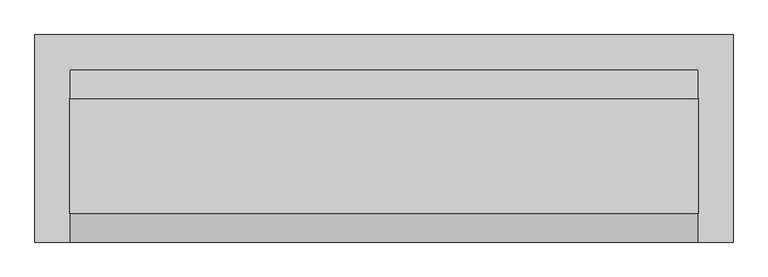
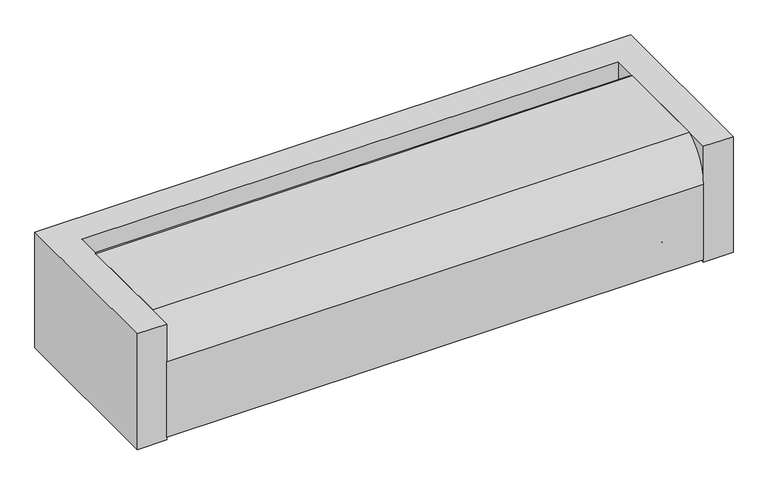
"""IFC4 building model written with IfcOpenShell, lengths in millimetres: proxy geometry."""

from ifc_helpers import new_model, si_unit, point, frame, frame_2d, origin, origin_with_axes, place, context, project, spatial, polyline, circle_curve, trimmed, segment, composite_curve, outline, extrude, source, transform, mapped, element, save
from ifc_brep_helpers import plane_surface, cylinder_surface, revolved_surface, advanced_brep


def mechanical_equipment_704d35b6(model_context):
    return source(origin(), model_context, "Body", "SolidModel", [
        advanced_brep(
        [(525.4625, 144.4625, 161.3958333), (525.4625, 96.3083333, 239.7125), (525.4625, -96.3083333, 239.7125), (525.4625, -144.4625, 161.3958333), (525.4625, -144.4625, 4.7625), (525.4625, 144.4625, 4.7625), (-525.4625, 144.4625, 161.3958333), (-525.4625, 144.4625, 4.7625), (-525.4625, -144.4625, 4.7625), (-525.4625, -144.4625, 161.3958333), (-525.4625, -96.3083333, 239.7125), (-525.4625, 96.3083333, 239.7125), (-504.825, -100.0125, 4.7625), (-425.45, -100.0125, 4.7625), (423.8625, -100.0125, 4.7625), (503.2375, -100.0125, 4.7625), (-425.45, -100.0125, 7.9375), (-504.825, -100.0125, 7.9375), (503.2375, -100.0125, 7.9375), (423.8625, -100.0125, 7.9375)],
        [
            (0, 1, circle_curve(frame((525.4625, 56.6993361, 161.3958333), z_axis=(1.0, 0.0, 0.0), x_axis=(0.0, -1.0, 0.0)), 87.7631639)),
            (1, 2),
            (2, 3, circle_curve(frame((525.4625, -56.6993361, 161.3958333), z_axis=(1.0, 0.0, 0.0), x_axis=(0.0, -1.0, 0.0)), 87.7631639)),
            (3, 4),
            (4, 5),
            (5, 0),
            (6, 7),
            (7, 8),
            (8, 9),
            (9, 10, circle_curve(frame((-525.4625, -56.6993361, 161.3958333), z_axis=(-1.0, 0.0, 0.0), x_axis=(0.0, -1.0, 0.0)), 87.7631639)),
            (10, 11),
            (11, 6, circle_curve(frame((-525.4625, 56.6993361, 161.3958333), z_axis=(-1.0, 0.0, 0.0), x_axis=(0.0, -1.0, 0.0)), 87.7631639)),
            (0, 6),
            (11, 1),
            (10, 2),
            (9, 3),
            (8, 4),
            (7, 5),
            (12, 13, circle_curve(frame((-465.1375, -100.0125, 4.7625), z_axis=(0.0, 0.0, 1.0), x_axis=(-1.0, 0.0, 0.0)), 39.6875)),
            (13, 12, circle_curve(frame((-465.1375, -100.0125, 4.7625), z_axis=(0.0, 0.0, 1.0), x_axis=(-1.0, 0.0, 0.0)), 39.6875)),
            (14, 15, circle_curve(frame((463.55, -100.0125, 4.7625), z_axis=(0.0, 0.0, 1.0), x_axis=(-1.0, 0.0, 0.0)), 39.6875)),
            (15, 14, circle_curve(frame((463.55, -100.0125, 4.7625), z_axis=(0.0, 0.0, 1.0), x_axis=(-1.0, 0.0, 0.0)), 39.6875)),
            (16, 17, circle_curve(frame((-465.1375, -100.0125, 7.9375), z_axis=(0.0, 0.0, -1.0), x_axis=(-1.0, 0.0, 0.0)), 39.6875)),
            (17, 16, circle_curve(frame((-465.1375, -100.0125, 7.9375), z_axis=(0.0, 0.0, -1.0), x_axis=(-1.0, 0.0, 0.0)), 39.6875)),
            (18, 19, circle_curve(frame((463.55, -100.0125, 7.9375), z_axis=(0.0, 0.0, -1.0), x_axis=(-1.0, 0.0, 0.0)), 39.6875)),
            (19, 18, circle_curve(frame((463.55, -100.0125, 7.9375), z_axis=(0.0, 0.0, -1.0), x_axis=(-1.0, 0.0, 0.0)), 39.6875)),
            (16, 13),
            (12, 17),
            (18, 15),
            (14, 19),
        ],
        [
            plane_surface(frame((525.4625, 0.0, 50.8), z_axis=(1.0, 0.0, 0.0), x_axis=(0.0, 0.0, 1.0))),
            plane_surface(frame((-525.4625, 0.0, 50.8), z_axis=(-1.0, 0.0, 0.0), x_axis=(0.0, 0.0, 1.0))),
            cylinder_surface(frame((525.4625, 56.6993361, 161.3958333), z_axis=(1.0, 0.0, 0.0), x_axis=(0.0, -1.0, 0.0)), 87.7631639),
            plane_surface(frame((525.4625, 96.3083333, 239.7125), z_axis=(0.0, 0.0, 1.0), x_axis=(-1.0, 0.0, 0.0))),
            cylinder_surface(frame((525.4625, -56.6993361, 161.3958333), z_axis=(1.0, 0.0, 0.0), x_axis=(0.0, -1.0, 0.0)), 87.7631639),
            plane_surface(frame((525.4625, -144.4625, 161.3958333), z_axis=(0.0, -1.0, 0.0), x_axis=(-1.0, 0.0, 0.0))),
            plane_surface(frame((525.4625, -144.4625, 4.7625), z_axis=(0.0, 0.0, -1.0), x_axis=(-1.0, 0.0, 0.0))),
            plane_surface(frame((525.4625, 144.4625, 4.7625), z_axis=(0.0, 1.0, 0.0), x_axis=(-1.0, 0.0, 0.0))),
            plane_surface(frame((0.0, 0.0, 7.9375), z_axis=(0.0, 0.0, -1.0), x_axis=(0.0, -1.0, 0.0))),
            revolved_surface(polyline([(-504.825, -100.0125, 4.7625), (-504.825, -100.0125, 7.9375)]), (-465.1375, -100.0125, 4.7625), (0.0, 0.0, -1.0)),
            revolved_surface(polyline([(423.8625, -100.0125, 4.7625), (423.8625, -100.0125, 7.9375)]), (463.55, -100.0125, 4.7625), (0.0, 0.0, -1.0)),
        ],
        [
            (0, [[1, 2, 3, 4, 5, 6]]),
            (1, [[7, 8, 9, 10, 11, 12]]),
            (2, [[-1, 13, -12, 14]]),
            (3, [[-2, -14, -11, 15]]),
            (4, [[-3, -15, -10, 16]]),
            (5, [[-4, -16, -9, 17]]),
            (6, [[-5, -17, -8, 18], [19, 20], [21, 22]]),
            (7, [[-6, -18, -7, -13]]),
            (8, [[23, 24]]),
            (8, [[25, 26]]),
            (9, [[-23, 27, -19, 28]]),
            (9, [[-24, -28, -20, -27]]),
            (10, [[-25, 29, -21, 30]]),
            (10, [[-26, -30, -22, -29]]),
        ],
    ),
        extrude(outline(composite_curve([segment(trimmed(circle_curve(frame_2d((-108.346875, 50.8)), 8.73125), [point((-99.615625, 50.8))], [point((-117.078125, 50.8))], False, "CARTESIAN"), True, "CONTINUOUS"), segment(trimmed(circle_curve(frame_2d((-108.346875, 50.8)), 8.73125), [point((-117.078125, 50.8))], [point((-99.615625, 50.8))], False, "CARTESIAN"), True, "CONTINUOUS")], self_intersect=False)), frame((-11.1125, 0.0, 0.0), z_axis=(1.0, 0.0, 0.0), x_axis=(0.0, 1.0, 0.0)), (0.0, 0.0, 1.0), 474.6625),
        extrude(outline(composite_curve([segment(trimmed(circle_curve(frame_2d((-72.23125, 50.8)), 6.35), [point((-65.88125, 50.8))], [point((-78.58125, 50.8))], False, "CARTESIAN"), True, "CONTINUOUS"), segment(trimmed(circle_curve(frame_2d((-72.23125, 50.8)), 6.35), [point((-78.58125, 50.8))], [point((-65.88125, 50.8))], False, "CARTESIAN"), True, "CONTINUOUS")], self_intersect=False)), frame((49.2125, 0.0, 0.0), z_axis=(1.0, 0.0, 0.0), x_axis=(0.0, 1.0, 0.0)), (0.0, 0.0, 1.0), 414.3375),
        extrude(outline(composite_curve([segment(trimmed(circle_curve(frame_2d((-36.115625, 50.8)), 3.175), [point((-32.940625, 50.8))], [point((-39.290625, 50.8))], False, "CARTESIAN"), True, "CONTINUOUS"), segment(trimmed(circle_curve(frame_2d((-36.115625, 50.8)), 3.175), [point((-39.290625, 50.8))], [point((-32.940625, 50.8))], False, "CARTESIAN"), True, "CONTINUOUS")], self_intersect=False)), frame((3.175, 0.0, 0.0), z_axis=(1.0, 0.0, 0.0), x_axis=(0.0, 1.0, 0.0)), (0.0, 0.0, 1.0), 460.375),
        extrude(outline(polyline([(474.6625, 130.175), (474.6625, -39.6875), (369.8875, -39.6875), (369.8875, -129.8575), (184.94375, -129.8575), (184.94375, 0.0), (-209.55, 0.0), (-209.55, -129.8575), (-419.1, -129.8575), (-419.1, 130.175), (474.6625, 130.175)])), origin_with_axes(), (0.0, 0.0, 1.0), 4.7625),
        extrude(outline(polyline([(-525.4625, -144.4625), (-583.6285, -144.4625), (-583.6285, 202.6285), (583.6285, 202.6285), (583.6285, -144.4625), (525.4625, -144.4625), (525.4625, 144.4625), (-525.4625, 144.4625), (-525.4625, -144.4625)])), origin_with_axes(), (0.0, 0.0, 1.0), 239.7125),
    ])


if __name__ == "__main__":
    model = new_model("IFC4")
    model_context = context("Model", 3, world=origin())
    ifc_project = project(units=[si_unit("LENGTHUNIT", "METRE", prefix="MILLI")], contexts=[model_context])
    site = spatial("IfcSite", under=ifc_project)
    building = spatial("IfcBuilding", under=site)
    placement = place(None, origin())
    mechanical_equipment_shape = mechanical_equipment_704d35b6(model_context)
    element("IfcBuildingElementProxy", 1, Name="Mechanical Equipment", at=placement, inside=building, context=model_context, shape_type="MappedRepresentation", body=[
        mapped(mechanical_equipment_shape, transform((0.0, 0.0, 0.0), x_axis=(1.0, 0.0, 0.0), y_axis=(0.0, 1.0, 0.0), z_axis=(0.0, 0.0, 1.0))),
    ])
    save(model, "model.ifc")
